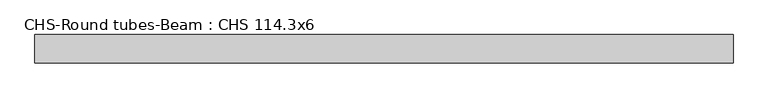
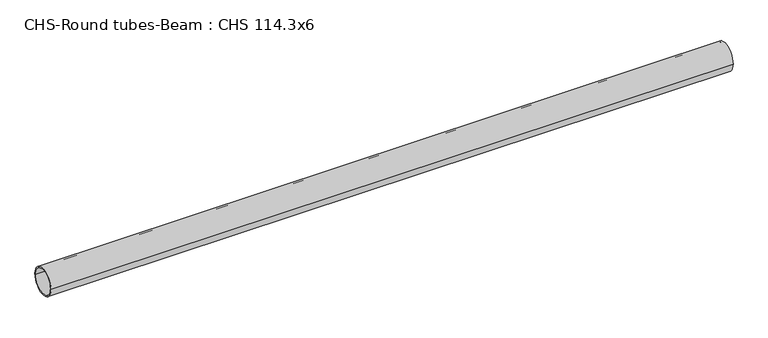
"""IFC4 building model written with IfcOpenShell, lengths in millimetres: beam geometry, CHS-Round tubes-Beam : CHS 114.3x6."""

from ifc_helpers import new_model, si_unit, point, frame, origin, origin_2d, place, context, project, spatial, circle_curve, trimmed, segment, composite_curve, outline, extrude, source, transform, mapped, element, save


def chs_round_tubes_beam_chs_114_3x6_f5964dd6(model_context):
    return source(origin(), model_context, "Body", "SweptSolid", [
        extrude(outline(composite_curve([segment(trimmed(circle_curve(origin_2d(), 57.15), [point((57.15, 0.0))], [point((-57.15, 0.0))], False, "CARTESIAN"), True, "CONTINUOUS"), segment(trimmed(circle_curve(origin_2d(), 57.15), [point((-57.15, 0.0))], [point((57.15, 0.0))], False, "CARTESIAN"), True, "CONTINUOUS")], self_intersect=False), holes=[composite_curve([segment(trimmed(circle_curve(origin_2d(), 51.15), [point((51.15, 0.0))], [point((-51.15, 0.0))], True, "CARTESIAN"), True, "CONTINUOUS"), segment(trimmed(circle_curve(origin_2d(), 51.15), [point((-51.15, 0.0))], [point((51.15, 0.0))], True, "CARTESIAN"), True, "CONTINUOUS")], self_intersect=False)]), frame((-1402.9294251, 0.0, 0.0), z_axis=(1.0, 0.0, 0.0), x_axis=(0.0, 1.0, 0.0)), (0.0, 0.0, 1.0), 2797.6100402),
    ])


if __name__ == "__main__":
    model = new_model("IFC4")
    model_context = context("Model", 3, world=origin())
    ifc_project = project(units=[si_unit("LENGTHUNIT", "METRE", prefix="MILLI")], contexts=[model_context])
    site = spatial("IfcSite", under=ifc_project)
    building = spatial("IfcBuilding", under=site)
    placement = place(None, origin())
    chs_round_tubes_beam_chs_114_3x6_shape = chs_round_tubes_beam_chs_114_3x6_f5964dd6(model_context)
    element("IfcBeam", 1, ObjectType="CHS-Round tubes-Beam : CHS 114.3x6", at=placement, inside=building, context=model_context, shape_type="MappedRepresentation", body=[
        mapped(chs_round_tubes_beam_chs_114_3x6_shape, transform((0.0, 0.0, 0.0), x_axis=(1.0, 0.0, 0.0), y_axis=(0.0, 1.0, 0.0), z_axis=(0.0, 0.0, 1.0))),
    ])
    save(model, "model.ifc")
